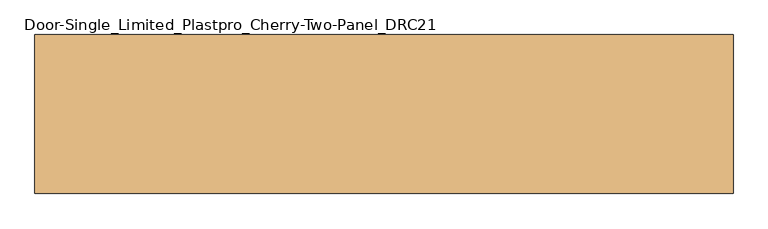
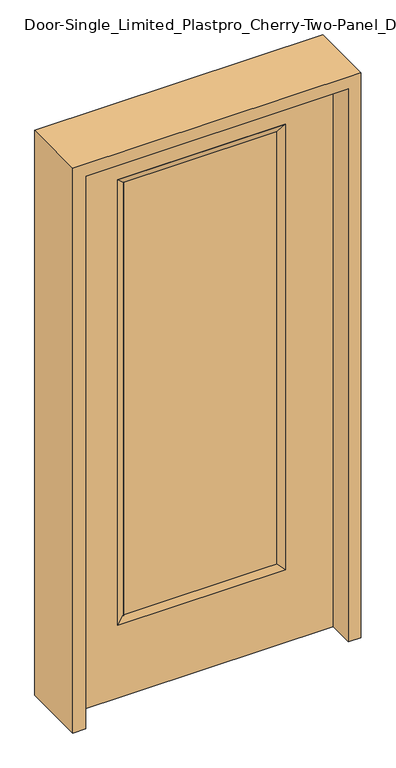
"""IFC4 building model written with IfcOpenShell, lengths in millimetres: door geometry, Door-Single_Limited_Plastpro_Cherry-Two-Panel_DRC21."""

from ifc_helpers import new_model, si_unit, frame, origin, place, context, project, spatial, polyline, outline, extrude, faceted_brep, source, transform, mapped, element, save


def door_single_limited_plastpro_cherry_two_panel_drc21_1d331f3a(model_context):
    return source(origin(), model_context, "Body", "SolidModel", [
        extrude(outline(polyline([(266.7, -12.7), (-266.7, -12.7), (-266.7, 12.7), (266.7, 12.7), (266.7, -12.7)])), frame((0.0, 0.0, 284.95625), z_axis=(0.0, 0.0, 1.0), x_axis=(1.0, 0.0, 0.0)), (0.0, 0.0, 1.0), 1607.34375),
        faceted_brep([(-292.1, -22.225, 1905.0), (-292.1, 22.225, 1905.0), (-292.1, 22.225, 266.7), (-292.1, -22.225, 266.7), (292.1, 22.225, 266.7), (292.1, -22.225, 266.7), (-266.7, 12.7, 292.1), (266.7, 12.7, 292.1), (292.1, 22.225, 1905.0), (292.1, -22.225, 1905.0), (-266.7, -12.7, 292.1), (266.7, -12.7, 292.1), (-266.7, -12.7, 1879.6), (266.7, -12.7, 1879.6), (-266.7, 12.7, 1879.6), (266.7, 12.7, 1879.6)], [[[0, 1, 2, 3]], [[3, 2, 4, 5]], [[2, 6, 7, 4]], [[5, 4, 8, 9]], [[10, 3, 5, 11]], [[12, 0, 3, 10]], [[11, 5, 9, 13]], [[6, 10, 11, 7]], [[14, 12, 10, 6]], [[7, 11, 13, 15]], [[1, 14, 6, 2]], [[4, 7, 15, 8]], [[9, 8, 1, 0]], [[13, 9, 0, 12]], [[15, 13, 12, 14]], [[8, 15, 14, 1]]]),
        extrude(outline(polyline([(2032.0, 457.2), (2032.0, -457.2), (0.0, -457.2), (0.0, 457.2), (2032.0, 457.2)]), holes=[polyline([(1905.0, -292.1), (1905.0, 292.1), (266.7, 292.1), (266.7, -292.1), (1905.0, -292.1)])]), frame((0.0, -22.225, 0.0), z_axis=(0.0, 1.0, 0.0), x_axis=(0.0, 0.0, 1.0)), (0.0, 0.0, 1.0), 44.45),
        extrude(outline(polyline([(2076.45, -501.65), (0.0, -501.65), (0.0, -457.2), (2032.0, -457.2), (2032.0, 457.2), (0.0, 457.2), (0.0, 501.65), (2076.45, 501.65), (2076.45, -501.65)])), frame((0.0, -114.3, 0.0), z_axis=(0.0, 1.0, 0.0), x_axis=(0.0, 0.0, 1.0)), (0.0, 0.0, 1.0), 228.6),
    ])


if __name__ == "__main__":
    model = new_model("IFC4")
    model_context = context("Model", 3, world=origin())
    ifc_project = project(units=[si_unit("LENGTHUNIT", "METRE", prefix="MILLI")], contexts=[model_context])
    site = spatial("IfcSite", under=ifc_project)
    building = spatial("IfcBuilding", under=site)
    placement = place(None, origin())
    door_single_limited_plastpro_cherry_two_panel_drc21_shape = door_single_limited_plastpro_cherry_two_panel_drc21_1d331f3a(model_context)
    element("IfcDoor", 1, ObjectType="Door-Single_Limited_Plastpro_Cherry-Two-Panel_DRC21", at=placement, inside=building, context=model_context, shape_type="MappedRepresentation", body=[
        mapped(door_single_limited_plastpro_cherry_two_panel_drc21_shape, transform((0.0, 0.0, 0.0), x_axis=(1.0, 0.0, 0.0), y_axis=(0.0, 1.0, 0.0), z_axis=(0.0, 0.0, 1.0))),
    ])
    save(model, "model.ifc")
